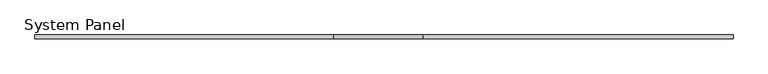
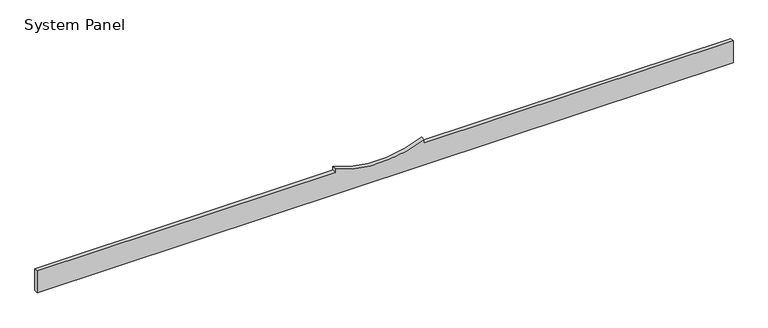
"""IFC4 building model written with IfcOpenShell, lengths in millimetres: plate geometry, System Panel."""

from ifc_helpers import new_model, si_unit, point, frame, frame_2d, origin, place, context, project, spatial, polyline, circle_curve, trimmed, segment, composite_curve, outline, extrude, source, transform, mapped, element, save


def system_panel_324bbe19(model_context):
    return source(origin(), model_context, "Body", "SweptSolid", [
        extrude(outline(composite_curve([segment(polyline([(0.0, -2250.0), (0.0, 2250.0), (150.0, 2250.0), (150.0, 250.0949786), (175.0, 250.0949786)]), True, "CONTINUOUS"), segment(trimmed(circle_curve(frame_2d((800.0, -36.4365219)), 687.5502169), [point((175.0, 250.0949786))], [point((175.0, -322.9680225))], True, "CARTESIAN"), True, "CONTINUOUS"), segment(polyline([(175.0, -322.9680225), (150.0, -322.9680225), (150.0, -2250.0), (0.0, -2250.0)]), True, "CONTINUOUS")], self_intersect=False)), frame((0.0, 24.5, 0.0), z_axis=(0.0, 1.0, 0.0), x_axis=(0.0, 0.0, 1.0)), (0.0, 0.0, 1.0), 25.0),
    ])


if __name__ == "__main__":
    model = new_model("IFC4")
    model_context = context("Model", 3, world=origin())
    ifc_project = project(units=[si_unit("LENGTHUNIT", "METRE", prefix="MILLI")], contexts=[model_context])
    site = spatial("IfcSite", under=ifc_project)
    building = spatial("IfcBuilding", under=site)
    placement = place(None, origin())
    system_panel_shape = system_panel_324bbe19(model_context)
    element("IfcPlate", 1, ObjectType="System Panel", at=placement, inside=building, context=model_context, shape_type="MappedRepresentation", body=[
        mapped(system_panel_shape, transform((0.0, 0.0, 0.0), x_axis=(1.0, 0.0, 0.0), y_axis=(0.0, 1.0, 0.0), z_axis=(0.0, 0.0, 1.0))),
    ])
    save(model, "model.ifc")
